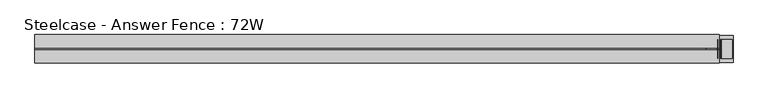
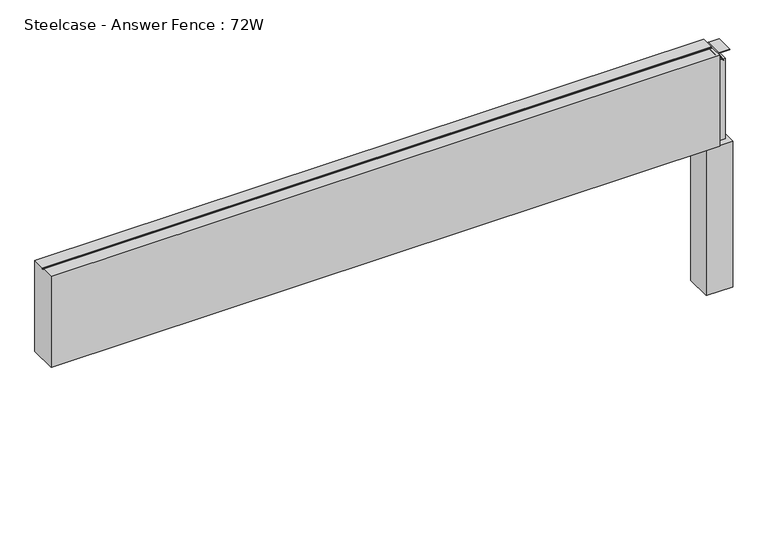
"""IFC4 building model written with IfcOpenShell, lengths in millimetres: furniture geometry, Steelcase - Answer Fence : 72W."""

from ifc_helpers import new_model, si_unit, point, frame, frame_2d, origin, place, context, project, spatial, polyline, circle_curve, trimmed, segment, composite_curve, outline, extrude, source, transform, mapped, element, save


def steelcase_answer_fence_72w_f6175eb9(model_context):
    return source(origin(), model_context, "Body", "SweptSolid", [
        extrude(outline(polyline([(1825.0153999, 28.9756526), (1825.0153999, -43.7191471), (1752.3206001, -43.7191471), (1752.3206001, 28.9756526), (1825.0153999, 28.9756526)])), frame((0.0, 0.0, 15.4939671), z_axis=(0.0, 0.0, 1.0), x_axis=(1.0, 0.0, 0.0)), (0.0, 0.0, 1.0), 420.9763759),
        extrude(outline(composite_curve([segment(polyline([(694.8271015, 1753.5942703), (694.8271015, 1782.4823183)]), True, "CONTINUOUS"), segment(trimmed(circle_curve(frame_2d((693.8373834, 1782.4823183)), 0.9897181), [point((694.8271015, 1782.4823183))], [point((693.3575585, 1783.3479452))], True, "CARTESIAN"), True, "CONTINUOUS"), segment(polyline([(693.3575585, 1783.3479452), (670.7684479, 1770.8265967), (670.3405135, 1771.5983685), (693.0018984, 1784.1637221)]), True, "CONTINUOUS"), segment(trimmed(circle_curve(frame_2d((693.8919079, 1782.5586063)), 1.8353511), [point((693.0018984, 1784.1637221))], [point((695.7272589, 1782.5586063))], False, "CARTESIAN"), True, "CONTINUOUS"), segment(polyline([(695.7272589, 1782.5586063), (695.7272589, 1753.5942703), (694.8271015, 1753.5942703)]), True, "CONTINUOUS")], self_intersect=False)), frame((0.0, -33.0896971, 0.0), z_axis=(0.0, 1.0, 0.0), x_axis=(0.0, 0.0, 1.0)), (0.0, 0.0, 1.0), 50.8000666),
        extrude(outline(composite_curve([segment(polyline([(694.8271015, 1823.3448547), (695.7272589, 1823.3448547), (695.7272589, 1794.3805187)]), True, "CONTINUOUS"), segment(trimmed(circle_curve(frame_2d((693.8919079, 1794.3805187)), 1.8353511), [point((695.7272589, 1794.3805187))], [point((693.0018984, 1792.7754029))], False, "CARTESIAN"), True, "CONTINUOUS"), segment(polyline([(693.0018984, 1792.7754029), (670.3405135, 1805.3407565), (670.7684479, 1806.1125283), (693.3575585, 1793.5911798)]), True, "CONTINUOUS"), segment(trimmed(circle_curve(frame_2d((693.8373834, 1794.4568067)), 0.9897181), [point((693.3575585, 1793.5911798))], [point((694.8271015, 1794.4568067))], True, "CARTESIAN"), True, "CONTINUOUS"), segment(polyline([(694.8271015, 1794.4568067), (694.8271015, 1823.3448547)]), True, "CONTINUOUS")], self_intersect=False)), frame((0.0, -33.0896971, 0.0), z_axis=(0.0, 1.0, 0.0), x_axis=(0.0, 0.0, 1.0)), (0.0, 0.0, 1.0), 50.8000666),
        extrude(outline(polyline([(1813.9938496, 11.3543833), (1813.9938496, -26.7337081), (1763.1938496, -26.7337081), (1763.1938496, 11.3543833), (1813.9938496, 11.3543833)])), frame((0.0, 0.0, 436.470343), z_axis=(0.0, 0.0, 1.0), x_axis=(1.0, 0.0, 0.0)), (0.0, 0.0, 1.0), 233.7346385),
        extrude(outline(polyline([(30.6507456, 698.5), (30.6507456, 436.470343), (-45.5168014, 436.470343), (-45.5168014, 698.5), (-10.7419756, 698.5), (-10.7419756, 695.721875), (-4.4428302, 695.721875), (-4.4428302, 698.5), (30.6507456, 698.5)])), frame((-38.1, 0.0, 0.0), z_axis=(1.0, 0.0, 0.0), x_axis=(0.0, 1.0, 0.0)), (0.0, 0.0, 1.0), 1826.768),
    ])


if __name__ == "__main__":
    model = new_model("IFC4")
    model_context = context("Model", 3, world=origin())
    ifc_project = project(units=[si_unit("LENGTHUNIT", "METRE", prefix="MILLI")], contexts=[model_context])
    site = spatial("IfcSite", under=ifc_project)
    building = spatial("IfcBuilding", under=site)
    placement = place(None, origin())
    steelcase_answer_fence_72w_shape = steelcase_answer_fence_72w_f6175eb9(model_context)
    element("IfcFurniture", 1, ObjectType="Steelcase - Answer Fence : 72W", at=placement, inside=building, context=model_context, shape_type="MappedRepresentation", body=[
        mapped(steelcase_answer_fence_72w_shape, transform((0.0, 0.0, 0.0), x_axis=(1.0, 0.0, 0.0), y_axis=(0.0, 1.0, 0.0), z_axis=(0.0, 0.0, 1.0))),
    ])
    save(model, "model.ifc")
